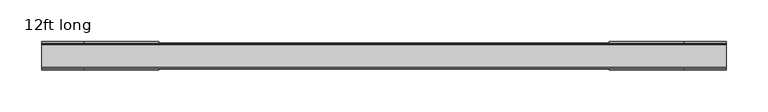
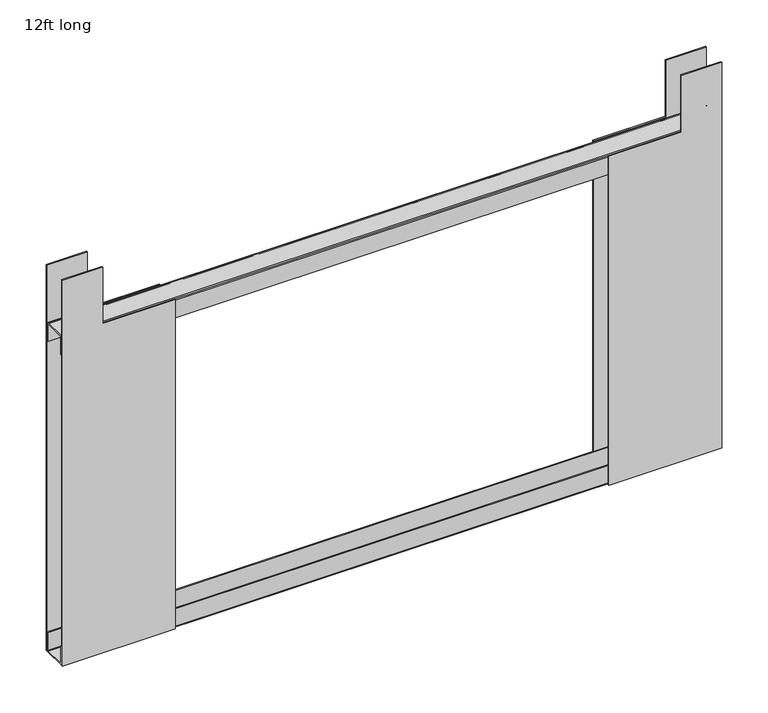
"""IFC4 building model written with IfcOpenShell, lengths in millimetres: furniture geometry, 12ft long."""

from ifc_helpers import new_model, si_unit, point, frame, frame_2d, origin, place, context, project, spatial, polyline, circle_curve, trimmed, segment, composite_curve, outline, extrude, source, transform, mapped, element, save


def furniture_12ft_long_4fe8d08f(model_context):
    return source(origin(), model_context, "Body", "SweptSolid", [
        extrude(outline(polyline([(1442.0596, 409.575), (1949.3484, 409.575), (1949.3484, 359.5624), (1874.9335621, 359.5624), (1874.9335621, 269.4686), (1442.0596, 269.4686), (1442.0596, 409.575)])), frame((0.0, -17.1156, 0.0), z_axis=(0.0, 1.0, 0.0), x_axis=(0.0, 0.0, 1.0)), (0.0, 0.0, 1.0), 1.5200006),
        extrude(outline(polyline([(1442.0596, 409.575), (1949.3484, 409.575), (1949.3484, 359.5624), (1874.9335621, 359.5624), (1874.9335621, 269.4686), (1442.0596, 269.4686), (1442.0596, 409.575)])), frame((0.0, 15.5955994, 0.0), z_axis=(0.0, 1.0, 0.0), x_axis=(0.0, 0.0, 1.0)), (0.0, 0.0, 1.0), 1.5200006),
        extrude(outline(composite_curve([segment(polyline([(14.0754002, 1444.344189), (14.0754002, 1467.1329938), (15.5953996, 1467.1329938), (15.5953996, 1444.3079391), (14.9266518, 1442.6946837), (13.3133998, 1442.0259381), (-13.3135996, 1442.0259381), (-14.9268528, 1442.6946837), (-15.5955994, 1444.3079391), (-15.5955994, 1467.1692437), (-14.0756, 1467.1692437), (-14.0756, 1444.4456844)]), True, "CONTINUOUS"), segment(trimmed(circle_curve(frame_2d((-13.1758554, 1444.4456844)), 0.8997446), [point((-14.0756, 1444.4456844))], [point((-13.1758554, 1443.5459398))], True, "CARTESIAN"), True, "CONTINUOUS"), segment(polyline([(-13.1758554, 1443.5459398), (13.277151, 1443.5459398)]), True, "CONTINUOUS"), segment(trimmed(circle_curve(frame_2d((13.277151, 1444.344189)), 0.7982491), [point((13.277151, 1443.5459398))], [point((14.0754002, 1444.344189))], True, "CARTESIAN"), True, "CONTINUOUS")], self_intersect=False)), frame((-409.575, 0.0, 0.0), z_axis=(1.0, 0.0, 0.0), x_axis=(0.0, 1.0, 0.0)), (0.0, 0.0, 1.0), 819.15),
        extrude(outline(polyline([(1442.0596, -409.575), (1442.0596, -269.4686), (1874.9335621, -269.4686), (1874.9335621, -359.5624), (1949.3484, -359.5624), (1949.3484, -409.575), (1442.0596, -409.575)])), frame((0.0, -17.1156, 0.0), z_axis=(0.0, 1.0, 0.0), x_axis=(0.0, 0.0, 1.0)), (0.0, 0.0, 1.0), 1.5200006),
        extrude(outline(polyline([(1442.0596, -409.575), (1442.0596, -269.4686), (1874.9335621, -269.4686), (1874.9335621, -359.5624), (1949.3484, -359.5624), (1949.3484, -409.575), (1442.0596, -409.575)])), frame((0.0, 15.5955994, 0.0), z_axis=(0.0, 1.0, 0.0), x_axis=(0.0, 0.0, 1.0)), (0.0, 0.0, 1.0), 1.5200006),
        extrude(outline(composite_curve([segment(trimmed(circle_curve(frame_2d((13.277151, 1872.6153113)), 0.7982491), [point((14.0754002, 1872.6153113))], [point((13.277151, 1873.4135604))], True, "CARTESIAN"), True, "CONTINUOUS"), segment(polyline([(13.277151, 1873.4135604), (-13.1758554, 1873.4135604)]), True, "CONTINUOUS"), segment(trimmed(circle_curve(frame_2d((-13.1758554, 1872.5138159)), 0.8997446), [point((-13.1758554, 1873.4135604))], [point((-14.0756, 1872.5138159))], True, "CARTESIAN"), True, "CONTINUOUS"), segment(polyline([(-14.0756, 1872.5138159), (-14.0756, 1849.7902566), (-15.5955994, 1849.7902566), (-15.5955994, 1872.6515612), (-14.9268528, 1874.2648166), (-13.3135996, 1874.9335621), (13.3133998, 1874.9335621), (14.9266518, 1874.2648166), (15.5953996, 1872.6515612), (15.5953996, 1849.8265065), (14.0754002, 1849.8265065), (14.0754002, 1872.6153113)]), True, "CONTINUOUS")], self_intersect=False)), frame((-409.575, 0.0, 0.0), z_axis=(1.0, 0.0, 0.0), x_axis=(0.0, 1.0, 0.0)), (0.0, 0.0, 1.0), 819.15),
    ])


if __name__ == "__main__":
    model = new_model("IFC4")
    model_context = context("Model", 3, world=origin())
    ifc_project = project(units=[si_unit("LENGTHUNIT", "METRE", prefix="MILLI")], contexts=[model_context])
    site = spatial("IfcSite", under=ifc_project)
    building = spatial("IfcBuilding", under=site)
    placement = place(None, origin())
    furniture_12ft_long_shape = furniture_12ft_long_4fe8d08f(model_context)
    element("IfcFurniture", 1, ObjectType="12ft long", at=placement, inside=building, context=model_context, shape_type="MappedRepresentation", body=[
        mapped(furniture_12ft_long_shape, transform((0.0, 0.0, 0.0), x_axis=(1.0, 0.0, 0.0), y_axis=(0.0, 1.0, 0.0), z_axis=(0.0, 0.0, 1.0))),
    ])
    save(model, "model.ifc")
